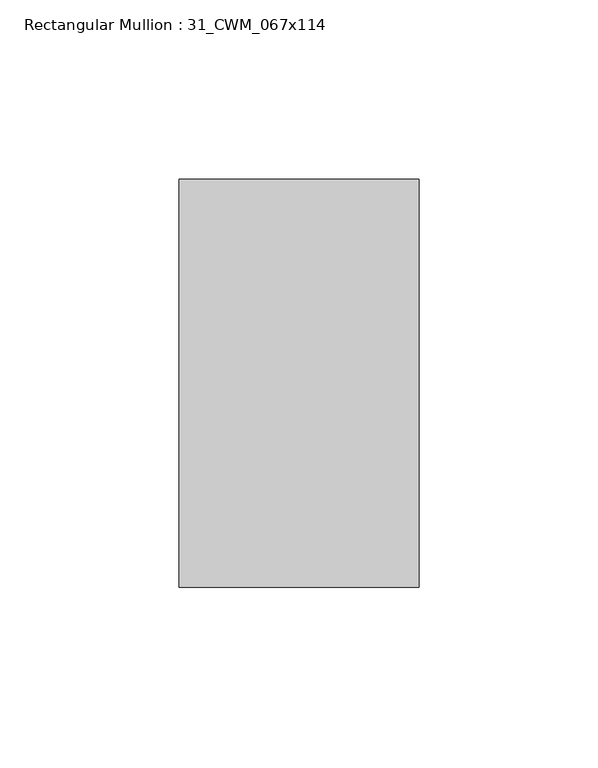
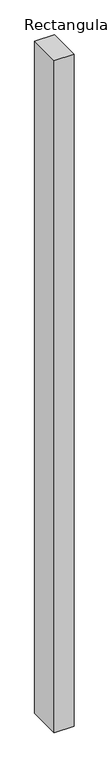
"""IFC4 building model written with IfcOpenShell, lengths in millimetres: member geometry, Rectangular Mullion : 31_CWM_067x114."""

import ifcopenshell
import ifcopenshell.guid

model = None  # the IFC model being written
_history = None  # IfcOwnerHistory: only IFC2X3 demands one
_inside = {}  # id of a spatial element -> (the spatial element, [elements in it])
_under = {}  # id of a project, library or spatial element -> (it, [spatial elements below it])
_declared = {}  # id of a project -> (the project, [libraries it declares])
_typed = {}  # id of a type object -> (the type object, [elements of that type])
_made_of = {}  # id of a material, layer set ... -> (it, [elements and type objects made of it])


def new_model(schema):
    """Start an empty IFC model of exactly this schema.

    Asked for "IFC4X3", IfcOpenShell would pick the latest addendum, in which some entities
    have other attributes; the version numbers below select the first issue.
    IFC2X3 requires an IfcOwnerHistory on every rooted entity: one is made here for all.
    """
    global model, _history
    if schema == "IFC4X3":
        model = ifcopenshell.file(schema_version=(4, 3, 0, 0))
    else:
        model = ifcopenshell.file(schema=schema)
    _inside.clear()
    _under.clear()
    _declared.clear()
    _typed.clear()
    _made_of.clear()
    _history = None
    if model.schema == "IFC2X3":
        org = make("IfcOrganization", Name="unknown")
        user = make(
            "IfcPersonAndOrganization",
            ThePerson=make("IfcPerson", FamilyName="unknown"),
            TheOrganization=org,
        )
        app = make(
            "IfcApplication",
            ApplicationDeveloper=org,
            Version="unknown",
            ApplicationFullName="unknown",
            ApplicationIdentifier="unknown",
        )
        _history = make(
            "IfcOwnerHistory",
            OwningUser=user,
            OwningApplication=app,
            ChangeAction="ADDED",
            CreationDate=0,
        )
    return model


def make(cls, **values):
    """One entity of the class cls with the attributes given. An attribute that is None is left unset."""
    return model.create_entity(
        cls, **{name: value for name, value in values.items() if value is not None}
    )


def rooted(cls, **values):
    """An entity with a GlobalId (a new one), such as an element, a storey or a relation."""
    return make(cls, GlobalId=ifcopenshell.guid.new(), OwnerHistory=_history, **values)


def si_unit(unit_type, name, prefix=None):
    """IfcSIUnit, for example si_unit("LENGTHUNIT", "METRE", prefix="MILLI")."""
    return make("IfcSIUnit", UnitType=unit_type, Prefix=prefix, Name=name)


def assignment(units):
    """IfcUnitAssignment: the units of a project."""
    return None if units is None else make("IfcUnitAssignment", Units=units)


def point(xyz):
    """IfcCartesianPoint."""
    return None if xyz is None else make("IfcCartesianPoint", Coordinates=xyz)


def direction(xyz):
    """IfcDirection."""
    return None if xyz is None else make("IfcDirection", DirectionRatios=xyz)


def frame(location, z_axis=None, x_axis=None):
    """IfcAxis2Placement3D, a coordinate frame: its origin and axes. An axis left out is left unset."""
    return make(
        "IfcAxis2Placement3D",
        Location=point(location),
        Axis=direction(z_axis),
        RefDirection=direction(x_axis),
    )


def origin():
    """The frame at (0, 0, 0) with its axes left unset."""
    return frame((0.0, 0.0, 0.0))


def place(relative_to, where):
    """IfcLocalPlacement: puts the frame where relative to a parent placement (None: the world)."""
    return make(
        "IfcLocalPlacement", PlacementRelTo=relative_to, RelativePlacement=where
    )


def context(
    kind, dimensions, precision=None, world=None, true_north=None, identifier=None
):
    """IfcGeometricRepresentationContext, for example the 3D "Model" context."""
    return make(
        "IfcGeometricRepresentationContext",
        ContextIdentifier=identifier,
        ContextType=kind,
        CoordinateSpaceDimension=dimensions,
        Precision=precision,
        WorldCoordinateSystem=world,
        TrueNorth=true_north,
    )


def project(units=None, contexts=None):
    """IfcProject with its units and contexts."""
    return rooted(
        "IfcProject",
        Name="project",
        RepresentationContexts=contexts,
        UnitsInContext=assignment(units),
    )


def spatial(cls, under=None, at=None, **own):
    """A site, building, storey or space (cls), placed at a placement, below another one or the project."""
    s = rooted(cls, ObjectPlacement=at, **own)
    if under is not None:
        _under.setdefault(under.id(), (under, []))[1].append(s)
    return s


def polyline(points):
    """IfcPolyline through the points."""
    return make("IfcPolyline", Points=[point(p) for p in points])


def outline(outer, holes=None, kind="AREA"):
    """IfcArbitraryClosedProfileDef: a profile drawn as a closed curve; with holes, ...WithVoids."""
    if holes is None:
        return make("IfcArbitraryClosedProfileDef", ProfileType=kind, OuterCurve=outer)
    return make(
        "IfcArbitraryProfileDefWithVoids",
        ProfileType=kind,
        OuterCurve=outer,
        InnerCurves=holes,
    )


def extrude(swept, where, along, depth):
    """IfcExtrudedAreaSolid: the profile swept, set in the frame where, extruded along a direction by depth."""
    return make(
        "IfcExtrudedAreaSolid",
        SweptArea=swept,
        Position=where,
        ExtrudedDirection=direction(along),
        Depth=depth,
    )


def shape(context_of_items, identifier, shape_type, items):
    """IfcShapeRepresentation: the items that make up one representation, for example the "Body"."""
    return make(
        "IfcShapeRepresentation",
        ContextOfItems=context_of_items,
        RepresentationIdentifier=identifier,
        RepresentationType=shape_type,
        Items=items,
    )


def source(mapping_origin, context_of_items, identifier, shape_type, items):
    """IfcRepresentationMap: a shape defined once, which mapped items show again and again."""
    return make(
        "IfcRepresentationMap",
        MappingOrigin=mapping_origin,
        MappedRepresentation=shape(context_of_items, identifier, shape_type, items),
    )


def transform(
    local_origin,
    x_axis=None,
    y_axis=None,
    z_axis=None,
    scale=None,
    scale2=None,
    scale3=None,
    uniform=True,
):
    """IfcCartesianTransformationOperator3D, or its non-uniform kind. x_axis, y_axis, z_axis: its Axis1, 2, 3."""
    if uniform:
        return make(
            "IfcCartesianTransformationOperator3D",
            Axis1=direction(x_axis),
            Axis2=direction(y_axis),
            LocalOrigin=point(local_origin),
            Scale=scale,
            Axis3=direction(z_axis),
        )
    return make(
        "IfcCartesianTransformationOperator3DnonUniform",
        Axis1=direction(x_axis),
        Axis2=direction(y_axis),
        LocalOrigin=point(local_origin),
        Scale=scale,
        Axis3=direction(z_axis),
        Scale2=scale2,
        Scale3=scale3,
    )


def mapped(mapping_source, mapping_target):
    """IfcMappedItem: shows the shape of a source again, moved by a transform."""
    return make(
        "IfcMappedItem", MappingSource=mapping_source, MappingTarget=mapping_target
    )


def made_of(thing, what):
    """Note that an element or type object is made of a material, layer set ...; save() writes the relation."""
    if what is not None:
        _made_of.setdefault(what.id(), (what, []))[1].append(thing)
    return thing


def element(
    cls,
    number,
    at=None,
    inside=None,
    cuts=None,
    type_object=None,
    material=None,
    context=None,
    identifier="Body",
    shape_type=None,
    held_by="IfcProductDefinitionShape",
    body=None,
    shapes=None,
    **own,
):
    """One element of the class cls, such as IfcWall. Its Tag is "e" and its number.

    at: its placement. inside: the storey or other place that contains it. cuts: it is an
    opening in that element (IfcRelVoidsElement). A single representation is given by context,
    identifier, shape_type and body (its items); several are given by shapes. held_by: the class
    of the entity that holds the representations. save() writes the other relations.
    """
    e = rooted(cls, Tag="e%d" % number, ObjectPlacement=at, **own)
    if body is not None:
        shapes = [shape(context, identifier, shape_type, body)]
    if shapes is not None:
        e.Representation = make(held_by, Representations=shapes)
    if inside is not None:
        _inside.setdefault(inside.id(), (inside, []))[1].append(e)
    if cuts is not None:
        rooted(
            "IfcRelVoidsElement", RelatingBuildingElement=cuts, RelatedOpeningElement=e
        )
    if type_object is not None:
        _typed.setdefault(type_object.id(), (type_object, []))[1].append(e)
    return made_of(e, material)


def aggregate(whole, parts):
    """IfcRelAggregates: a whole, such as a stair, and the parts it consists of."""
    return rooted("IfcRelAggregates", RelatingObject=whole, RelatedObjects=parts)


def save(model, path):
    """Write the relations noted so far, then the file.

    IfcRelAggregates (storeys below a building ...), IfcRelContainedInSpatialStructure (elements
    in a storey), IfcRelDefinesByType, IfcRelAssociatesMaterial and IfcRelDeclares: one each for
    every whole, place, type object, material and project.
    """
    for whole, parts in _under.values():
        aggregate(whole, parts)
    for where, things in _inside.values():
        rooted(
            "IfcRelContainedInSpatialStructure",
            RelatedElements=things,
            RelatingStructure=where,
        )
    for kind, things in _typed.values():
        rooted("IfcRelDefinesByType", RelatedObjects=things, RelatingType=kind)
    for what, things in _made_of.values():
        rooted("IfcRelAssociatesMaterial", RelatedObjects=things, RelatingMaterial=what)
    for by, libraries in _declared.values():
        rooted("IfcRelDeclares", RelatingContext=by, RelatedDefinitions=libraries)
    model.write(path)


def rectangular_mullion_31_cwm_067x114_cef66d41(model_context):
    return source(origin(), model_context, "Body", "SweptSolid", [
        extrude(outline(polyline([(33.5, 0.0), (33.5, -114.0), (-33.5, -114.0), (-33.5, 0.0), (33.5, 0.0)])), frame((0.0, 0.0, -2399.5), z_axis=(0.0, 0.0, 1.0), x_axis=(1.0, 0.0, 0.0)), (0.0, 0.0, 1.0), 2399.5),
    ])


if __name__ == "__main__":
    model = new_model("IFC4")
    model_context = context("Model", 3, world=origin())
    ifc_project = project(units=[si_unit("LENGTHUNIT", "METRE", prefix="MILLI")], contexts=[model_context])
    site = spatial("IfcSite", under=ifc_project)
    building = spatial("IfcBuilding", under=site)
    placement = place(None, origin())
    rectangular_mullion_31_cwm_067x114_shape = rectangular_mullion_31_cwm_067x114_cef66d41(model_context)
    element("IfcMember", 1, ObjectType="Rectangular Mullion : 31_CWM_067x114", at=placement, inside=building, context=model_context, shape_type="MappedRepresentation", body=[
        mapped(rectangular_mullion_31_cwm_067x114_shape, transform((0.0, 0.0, 0.0), x_axis=(1.0, 0.0, 0.0), y_axis=(0.0, 1.0, 0.0), z_axis=(0.0, 0.0, 1.0))),
    ])
    save(model, "model.ifc")
